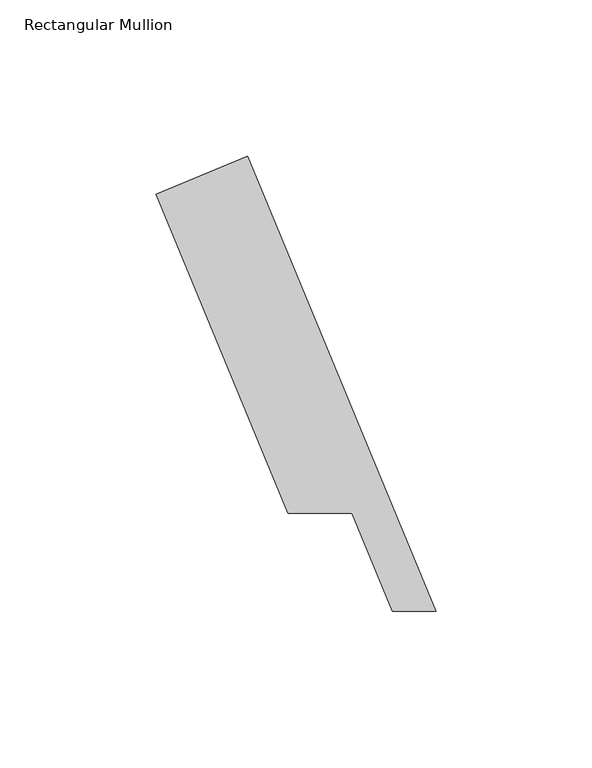
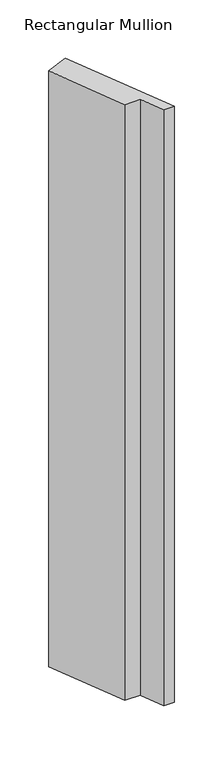
"""IFC4 building model written with IfcOpenShell, lengths in millimetres: member geometry, Rectangular Mullion."""

import ifcopenshell
import ifcopenshell.guid

model = None  # the IFC model being written
_history = None  # IfcOwnerHistory: only IFC2X3 demands one
_inside = {}  # id of a spatial element -> (the spatial element, [elements in it])
_under = {}  # id of a project, library or spatial element -> (it, [spatial elements below it])
_declared = {}  # id of a project -> (the project, [libraries it declares])
_typed = {}  # id of a type object -> (the type object, [elements of that type])
_made_of = {}  # id of a material, layer set ... -> (it, [elements and type objects made of it])


def new_model(schema):
    """Start an empty IFC model of exactly this schema.

    Asked for "IFC4X3", IfcOpenShell would pick the latest addendum, in which some entities
    have other attributes; the version numbers below select the first issue.
    IFC2X3 requires an IfcOwnerHistory on every rooted entity: one is made here for all.
    """
    global model, _history
    if schema == "IFC4X3":
        model = ifcopenshell.file(schema_version=(4, 3, 0, 0))
    else:
        model = ifcopenshell.file(schema=schema)
    _inside.clear()
    _under.clear()
    _declared.clear()
    _typed.clear()
    _made_of.clear()
    _history = None
    if model.schema == "IFC2X3":
        org = make("IfcOrganization", Name="unknown")
        user = make(
            "IfcPersonAndOrganization",
            ThePerson=make("IfcPerson", FamilyName="unknown"),
            TheOrganization=org,
        )
        app = make(
            "IfcApplication",
            ApplicationDeveloper=org,
            Version="unknown",
            ApplicationFullName="unknown",
            ApplicationIdentifier="unknown",
        )
        _history = make(
            "IfcOwnerHistory",
            OwningUser=user,
            OwningApplication=app,
            ChangeAction="ADDED",
            CreationDate=0,
        )
    return model


def make(cls, **values):
    """One entity of the class cls with the attributes given. An attribute that is None is left unset."""
    return model.create_entity(
        cls, **{name: value for name, value in values.items() if value is not None}
    )


def rooted(cls, **values):
    """An entity with a GlobalId (a new one), such as an element, a storey or a relation."""
    return make(cls, GlobalId=ifcopenshell.guid.new(), OwnerHistory=_history, **values)


def si_unit(unit_type, name, prefix=None):
    """IfcSIUnit, for example si_unit("LENGTHUNIT", "METRE", prefix="MILLI")."""
    return make("IfcSIUnit", UnitType=unit_type, Prefix=prefix, Name=name)


def assignment(units):
    """IfcUnitAssignment: the units of a project."""
    return None if units is None else make("IfcUnitAssignment", Units=units)


def point(xyz):
    """IfcCartesianPoint."""
    return None if xyz is None else make("IfcCartesianPoint", Coordinates=xyz)


def direction(xyz):
    """IfcDirection."""
    return None if xyz is None else make("IfcDirection", DirectionRatios=xyz)


def frame(location, z_axis=None, x_axis=None):
    """IfcAxis2Placement3D, a coordinate frame: its origin and axes. An axis left out is left unset."""
    return make(
        "IfcAxis2Placement3D",
        Location=point(location),
        Axis=direction(z_axis),
        RefDirection=direction(x_axis),
    )


def origin():
    """The frame at (0, 0, 0) with its axes left unset."""
    return frame((0.0, 0.0, 0.0))


def place(relative_to, where):
    """IfcLocalPlacement: puts the frame where relative to a parent placement (None: the world)."""
    return make(
        "IfcLocalPlacement", PlacementRelTo=relative_to, RelativePlacement=where
    )


def context(
    kind, dimensions, precision=None, world=None, true_north=None, identifier=None
):
    """IfcGeometricRepresentationContext, for example the 3D "Model" context."""
    return make(
        "IfcGeometricRepresentationContext",
        ContextIdentifier=identifier,
        ContextType=kind,
        CoordinateSpaceDimension=dimensions,
        Precision=precision,
        WorldCoordinateSystem=world,
        TrueNorth=true_north,
    )


def project(units=None, contexts=None):
    """IfcProject with its units and contexts."""
    return rooted(
        "IfcProject",
        Name="project",
        RepresentationContexts=contexts,
        UnitsInContext=assignment(units),
    )


def spatial(cls, under=None, at=None, **own):
    """A site, building, storey or space (cls), placed at a placement, below another one or the project."""
    s = rooted(cls, ObjectPlacement=at, **own)
    if under is not None:
        _under.setdefault(under.id(), (under, []))[1].append(s)
    return s


def polyline(points):
    """IfcPolyline through the points."""
    return make("IfcPolyline", Points=[point(p) for p in points])


def outline(outer, holes=None, kind="AREA"):
    """IfcArbitraryClosedProfileDef: a profile drawn as a closed curve; with holes, ...WithVoids."""
    if holes is None:
        return make("IfcArbitraryClosedProfileDef", ProfileType=kind, OuterCurve=outer)
    return make(
        "IfcArbitraryProfileDefWithVoids",
        ProfileType=kind,
        OuterCurve=outer,
        InnerCurves=holes,
    )


def extrude(swept, where, along, depth):
    """IfcExtrudedAreaSolid: the profile swept, set in the frame where, extruded along a direction by depth."""
    return make(
        "IfcExtrudedAreaSolid",
        SweptArea=swept,
        Position=where,
        ExtrudedDirection=direction(along),
        Depth=depth,
    )


def shape(context_of_items, identifier, shape_type, items):
    """IfcShapeRepresentation: the items that make up one representation, for example the "Body"."""
    return make(
        "IfcShapeRepresentation",
        ContextOfItems=context_of_items,
        RepresentationIdentifier=identifier,
        RepresentationType=shape_type,
        Items=items,
    )


def source(mapping_origin, context_of_items, identifier, shape_type, items):
    """IfcRepresentationMap: a shape defined once, which mapped items show again and again."""
    return make(
        "IfcRepresentationMap",
        MappingOrigin=mapping_origin,
        MappedRepresentation=shape(context_of_items, identifier, shape_type, items),
    )


def transform(
    local_origin,
    x_axis=None,
    y_axis=None,
    z_axis=None,
    scale=None,
    scale2=None,
    scale3=None,
    uniform=True,
):
    """IfcCartesianTransformationOperator3D, or its non-uniform kind. x_axis, y_axis, z_axis: its Axis1, 2, 3."""
    if uniform:
        return make(
            "IfcCartesianTransformationOperator3D",
            Axis1=direction(x_axis),
            Axis2=direction(y_axis),
            LocalOrigin=point(local_origin),
            Scale=scale,
            Axis3=direction(z_axis),
        )
    return make(
        "IfcCartesianTransformationOperator3DnonUniform",
        Axis1=direction(x_axis),
        Axis2=direction(y_axis),
        LocalOrigin=point(local_origin),
        Scale=scale,
        Axis3=direction(z_axis),
        Scale2=scale2,
        Scale3=scale3,
    )


def mapped(mapping_source, mapping_target):
    """IfcMappedItem: shows the shape of a source again, moved by a transform."""
    return make(
        "IfcMappedItem", MappingSource=mapping_source, MappingTarget=mapping_target
    )


def made_of(thing, what):
    """Note that an element or type object is made of a material, layer set ...; save() writes the relation."""
    if what is not None:
        _made_of.setdefault(what.id(), (what, []))[1].append(thing)
    return thing


def element(
    cls,
    number,
    at=None,
    inside=None,
    cuts=None,
    type_object=None,
    material=None,
    context=None,
    identifier="Body",
    shape_type=None,
    held_by="IfcProductDefinitionShape",
    body=None,
    shapes=None,
    **own,
):
    """One element of the class cls, such as IfcWall. Its Tag is "e" and its number.

    at: its placement. inside: the storey or other place that contains it. cuts: it is an
    opening in that element (IfcRelVoidsElement). A single representation is given by context,
    identifier, shape_type and body (its items); several are given by shapes. held_by: the class
    of the entity that holds the representations. save() writes the other relations.
    """
    e = rooted(cls, Tag="e%d" % number, ObjectPlacement=at, **own)
    if body is not None:
        shapes = [shape(context, identifier, shape_type, body)]
    if shapes is not None:
        e.Representation = make(held_by, Representations=shapes)
    if inside is not None:
        _inside.setdefault(inside.id(), (inside, []))[1].append(e)
    if cuts is not None:
        rooted(
            "IfcRelVoidsElement", RelatingBuildingElement=cuts, RelatedOpeningElement=e
        )
    if type_object is not None:
        _typed.setdefault(type_object.id(), (type_object, []))[1].append(e)
    return made_of(e, material)


def aggregate(whole, parts):
    """IfcRelAggregates: a whole, such as a stair, and the parts it consists of."""
    return rooted("IfcRelAggregates", RelatingObject=whole, RelatedObjects=parts)


def save(model, path):
    """Write the relations noted so far, then the file.

    IfcRelAggregates (storeys below a building ...), IfcRelContainedInSpatialStructure (elements
    in a storey), IfcRelDefinesByType, IfcRelAssociatesMaterial and IfcRelDeclares: one each for
    every whole, place, type object, material and project.
    """
    for whole, parts in _under.values():
        aggregate(whole, parts)
    for where, things in _inside.values():
        rooted(
            "IfcRelContainedInSpatialStructure",
            RelatedElements=things,
            RelatingStructure=where,
        )
    for kind, things in _typed.values():
        rooted("IfcRelDefinesByType", RelatedObjects=things, RelatingType=kind)
    for what, things in _made_of.values():
        rooted("IfcRelAssociatesMaterial", RelatedObjects=things, RelatingMaterial=what)
    for by, libraries in _declared.values():
        rooted("IfcRelDeclares", RelatingContext=by, RelatedDefinitions=libraries)
    model.write(path)


def rectangular_mullion_6611f49c(model_context):
    return source(origin(), model_context, "Body", "SweptSolid", [
        extrude(outline(polyline([(-7.9741173, 20.1042603), (-21.9057918, 20.1042603), (-34.9491655, 51.59375), (-55.3834434, 51.59375), (-97.7157218, 153.7929106), (-68.3825466, 165.9431096), (-7.9741173, 20.1042603)])), frame((0.0, 0.0, -838.1999996), z_axis=(0.0, 0.0, 1.0), x_axis=(1.0, 0.0, 0.0)), (0.0, 0.0, 1.0), 838.1999996),
    ])


if __name__ == "__main__":
    model = new_model("IFC4")
    model_context = context("Model", 3, world=origin())
    ifc_project = project(units=[si_unit("LENGTHUNIT", "METRE", prefix="MILLI")], contexts=[model_context])
    site = spatial("IfcSite", under=ifc_project)
    building = spatial("IfcBuilding", under=site)
    placement = place(None, origin())
    rectangular_mullion_shape = rectangular_mullion_6611f49c(model_context)
    element("IfcMember", 1, ObjectType="Rectangular Mullion", at=placement, inside=building, context=model_context, shape_type="MappedRepresentation", body=[
        mapped(rectangular_mullion_shape, transform((0.0, 0.0, 0.0), x_axis=(1.0, 0.0, 0.0), y_axis=(0.0, 1.0, 0.0), z_axis=(0.0, 0.0, 1.0))),
    ])
    save(model, "model.ifc")
